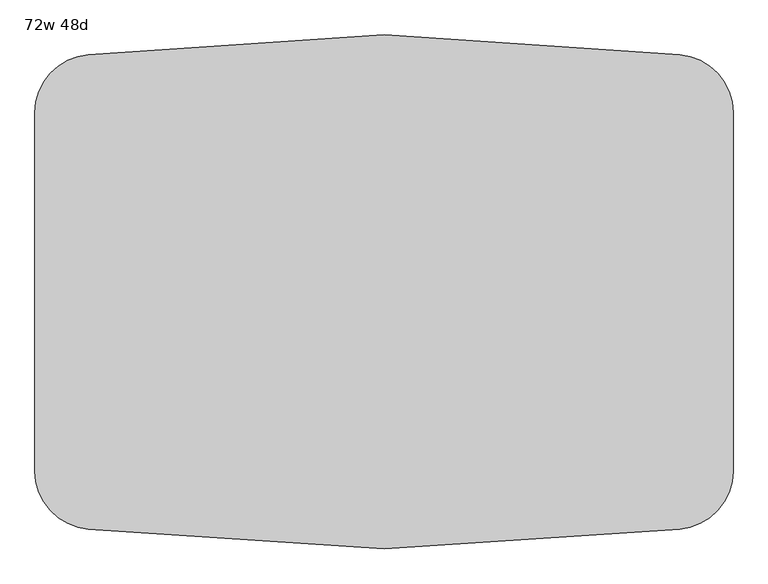
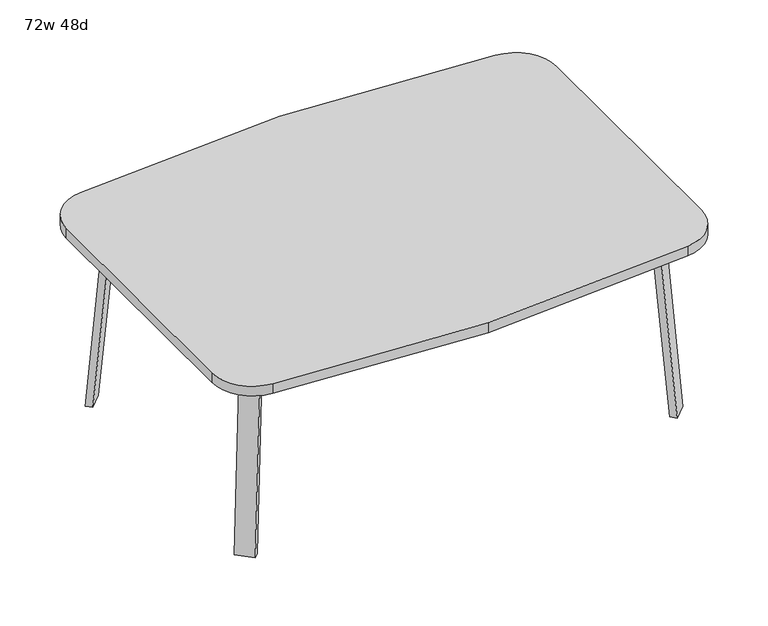
"""IFC4 building model written with IfcOpenShell, lengths in millimetres: furniture geometry, 72w 48d."""

import ifcopenshell
import ifcopenshell.guid

model = None  # the IFC model being written
_history = None  # IfcOwnerHistory: only IFC2X3 demands one
_inside = {}  # id of a spatial element -> (the spatial element, [elements in it])
_under = {}  # id of a project, library or spatial element -> (it, [spatial elements below it])
_declared = {}  # id of a project -> (the project, [libraries it declares])
_typed = {}  # id of a type object -> (the type object, [elements of that type])
_made_of = {}  # id of a material, layer set ... -> (it, [elements and type objects made of it])


def new_model(schema):
    """Start an empty IFC model of exactly this schema.

    Asked for "IFC4X3", IfcOpenShell would pick the latest addendum, in which some entities
    have other attributes; the version numbers below select the first issue.
    IFC2X3 requires an IfcOwnerHistory on every rooted entity: one is made here for all.
    """
    global model, _history
    if schema == "IFC4X3":
        model = ifcopenshell.file(schema_version=(4, 3, 0, 0))
    else:
        model = ifcopenshell.file(schema=schema)
    _inside.clear()
    _under.clear()
    _declared.clear()
    _typed.clear()
    _made_of.clear()
    _history = None
    if model.schema == "IFC2X3":
        org = make("IfcOrganization", Name="unknown")
        user = make(
            "IfcPersonAndOrganization",
            ThePerson=make("IfcPerson", FamilyName="unknown"),
            TheOrganization=org,
        )
        app = make(
            "IfcApplication",
            ApplicationDeveloper=org,
            Version="unknown",
            ApplicationFullName="unknown",
            ApplicationIdentifier="unknown",
        )
        _history = make(
            "IfcOwnerHistory",
            OwningUser=user,
            OwningApplication=app,
            ChangeAction="ADDED",
            CreationDate=0,
        )
    return model


def make(cls, **values):
    """One entity of the class cls with the attributes given. An attribute that is None is left unset."""
    return model.create_entity(
        cls, **{name: value for name, value in values.items() if value is not None}
    )


def rooted(cls, **values):
    """An entity with a GlobalId (a new one), such as an element, a storey or a relation."""
    return make(cls, GlobalId=ifcopenshell.guid.new(), OwnerHistory=_history, **values)


def si_unit(unit_type, name, prefix=None):
    """IfcSIUnit, for example si_unit("LENGTHUNIT", "METRE", prefix="MILLI")."""
    return make("IfcSIUnit", UnitType=unit_type, Prefix=prefix, Name=name)


def assignment(units):
    """IfcUnitAssignment: the units of a project."""
    return None if units is None else make("IfcUnitAssignment", Units=units)


def point(xyz):
    """IfcCartesianPoint."""
    return None if xyz is None else make("IfcCartesianPoint", Coordinates=xyz)


def direction(xyz):
    """IfcDirection."""
    return None if xyz is None else make("IfcDirection", DirectionRatios=xyz)


def frame(location, z_axis=None, x_axis=None):
    """IfcAxis2Placement3D, a coordinate frame: its origin and axes. An axis left out is left unset."""
    return make(
        "IfcAxis2Placement3D",
        Location=point(location),
        Axis=direction(z_axis),
        RefDirection=direction(x_axis),
    )


def frame_2d(location, x_axis=None):
    """IfcAxis2Placement2D, a coordinate frame in the plane: its origin and x axis."""
    return make(
        "IfcAxis2Placement2D", Location=point(location), RefDirection=direction(x_axis)
    )


def origin():
    """The frame at (0, 0, 0) with its axes left unset."""
    return frame((0.0, 0.0, 0.0))


def place(relative_to, where):
    """IfcLocalPlacement: puts the frame where relative to a parent placement (None: the world)."""
    return make(
        "IfcLocalPlacement", PlacementRelTo=relative_to, RelativePlacement=where
    )


def context(
    kind, dimensions, precision=None, world=None, true_north=None, identifier=None
):
    """IfcGeometricRepresentationContext, for example the 3D "Model" context."""
    return make(
        "IfcGeometricRepresentationContext",
        ContextIdentifier=identifier,
        ContextType=kind,
        CoordinateSpaceDimension=dimensions,
        Precision=precision,
        WorldCoordinateSystem=world,
        TrueNorth=true_north,
    )


def project(units=None, contexts=None):
    """IfcProject with its units and contexts."""
    return rooted(
        "IfcProject",
        Name="project",
        RepresentationContexts=contexts,
        UnitsInContext=assignment(units),
    )


def spatial(cls, under=None, at=None, **own):
    """A site, building, storey or space (cls), placed at a placement, below another one or the project."""
    s = rooted(cls, ObjectPlacement=at, **own)
    if under is not None:
        _under.setdefault(under.id(), (under, []))[1].append(s)
    return s


def polyline(points):
    """IfcPolyline through the points."""
    return make("IfcPolyline", Points=[point(p) for p in points])


def circle_curve(where, radius):
    """IfcCircle in the frame where."""
    return make("IfcCircle", Position=where, Radius=radius)


def trimmed(basis, trim1, trim2, sense, master):
    """IfcTrimmedCurve: the piece of a basis curve between two trims."""
    return make(
        "IfcTrimmedCurve",
        BasisCurve=basis,
        Trim1=trim1,
        Trim2=trim2,
        SenseAgreement=sense,
        MasterRepresentation=master,
    )


def segment(curve, same_sense, transition):
    """IfcCompositeCurveSegment."""
    return make(
        "IfcCompositeCurveSegment",
        Transition=transition,
        SameSense=same_sense,
        ParentCurve=curve,
    )


def composite_curve(segments, self_intersect=None):
    """IfcCompositeCurve: segments joined end to end."""
    return make("IfcCompositeCurve", Segments=segments, SelfIntersect=self_intersect)


def outline(outer, holes=None, kind="AREA"):
    """IfcArbitraryClosedProfileDef: a profile drawn as a closed curve; with holes, ...WithVoids."""
    if holes is None:
        return make("IfcArbitraryClosedProfileDef", ProfileType=kind, OuterCurve=outer)
    return make(
        "IfcArbitraryProfileDefWithVoids",
        ProfileType=kind,
        OuterCurve=outer,
        InnerCurves=holes,
    )


def extrude(swept, where, along, depth):
    """IfcExtrudedAreaSolid: the profile swept, set in the frame where, extruded along a direction by depth."""
    return make(
        "IfcExtrudedAreaSolid",
        SweptArea=swept,
        Position=where,
        ExtrudedDirection=direction(along),
        Depth=depth,
    )


def faces_of(points, faces, orient=None, outer=None):
    """IfcFace entities. A face is a list of loops; a loop is a list of indices into points, from 0.

    orient and outer hold one flag for each loop. By default every Orientation is true, the
    first loop of a face is its IfcFaceOuterBound and the others are IfcFaceBound.
    """
    made = []
    for i, loops in enumerate(faces):
        bounds = []
        for j, loop in enumerate(loops):
            is_outer = j == 0 if outer is None else outer[i][j]
            bounds.append(
                make(
                    "IfcFaceOuterBound" if is_outer else "IfcFaceBound",
                    Bound=make("IfcPolyLoop", Polygon=[points[k] for k in loop]),
                    Orientation=True if orient is None else orient[i][j],
                )
            )
        made.append(make("IfcFace", Bounds=bounds))
    return made


def faceted_brep(points, faces, orient=None, outer=None, voids=None):
    """IfcFacetedBrep: a solid bounded by flat faces; with voids (closed shells), ...WithVoids."""
    shared = [point(p) for p in points]
    hull = make("IfcClosedShell", CfsFaces=faces_of(shared, faces, orient, outer))
    if voids is None:
        return make("IfcFacetedBrep", Outer=hull)
    return make(
        "IfcFacetedBrepWithVoids",
        Outer=hull,
        Voids=[
            make(cls, CfsFaces=faces_of(shared, fs, o, b)) for cls, fs, o, b in voids
        ],
    )


def shape(context_of_items, identifier, shape_type, items):
    """IfcShapeRepresentation: the items that make up one representation, for example the "Body"."""
    return make(
        "IfcShapeRepresentation",
        ContextOfItems=context_of_items,
        RepresentationIdentifier=identifier,
        RepresentationType=shape_type,
        Items=items,
    )


def source(mapping_origin, context_of_items, identifier, shape_type, items):
    """IfcRepresentationMap: a shape defined once, which mapped items show again and again."""
    return make(
        "IfcRepresentationMap",
        MappingOrigin=mapping_origin,
        MappedRepresentation=shape(context_of_items, identifier, shape_type, items),
    )


def transform(
    local_origin,
    x_axis=None,
    y_axis=None,
    z_axis=None,
    scale=None,
    scale2=None,
    scale3=None,
    uniform=True,
):
    """IfcCartesianTransformationOperator3D, or its non-uniform kind. x_axis, y_axis, z_axis: its Axis1, 2, 3."""
    if uniform:
        return make(
            "IfcCartesianTransformationOperator3D",
            Axis1=direction(x_axis),
            Axis2=direction(y_axis),
            LocalOrigin=point(local_origin),
            Scale=scale,
            Axis3=direction(z_axis),
        )
    return make(
        "IfcCartesianTransformationOperator3DnonUniform",
        Axis1=direction(x_axis),
        Axis2=direction(y_axis),
        LocalOrigin=point(local_origin),
        Scale=scale,
        Axis3=direction(z_axis),
        Scale2=scale2,
        Scale3=scale3,
    )


def mapped(mapping_source, mapping_target):
    """IfcMappedItem: shows the shape of a source again, moved by a transform."""
    return make(
        "IfcMappedItem", MappingSource=mapping_source, MappingTarget=mapping_target
    )


def made_of(thing, what):
    """Note that an element or type object is made of a material, layer set ...; save() writes the relation."""
    if what is not None:
        _made_of.setdefault(what.id(), (what, []))[1].append(thing)
    return thing


def element(
    cls,
    number,
    at=None,
    inside=None,
    cuts=None,
    type_object=None,
    material=None,
    context=None,
    identifier="Body",
    shape_type=None,
    held_by="IfcProductDefinitionShape",
    body=None,
    shapes=None,
    **own,
):
    """One element of the class cls, such as IfcWall. Its Tag is "e" and its number.

    at: its placement. inside: the storey or other place that contains it. cuts: it is an
    opening in that element (IfcRelVoidsElement). A single representation is given by context,
    identifier, shape_type and body (its items); several are given by shapes. held_by: the class
    of the entity that holds the representations. save() writes the other relations.
    """
    e = rooted(cls, Tag="e%d" % number, ObjectPlacement=at, **own)
    if body is not None:
        shapes = [shape(context, identifier, shape_type, body)]
    if shapes is not None:
        e.Representation = make(held_by, Representations=shapes)
    if inside is not None:
        _inside.setdefault(inside.id(), (inside, []))[1].append(e)
    if cuts is not None:
        rooted(
            "IfcRelVoidsElement", RelatingBuildingElement=cuts, RelatedOpeningElement=e
        )
    if type_object is not None:
        _typed.setdefault(type_object.id(), (type_object, []))[1].append(e)
    return made_of(e, material)


def aggregate(whole, parts):
    """IfcRelAggregates: a whole, such as a stair, and the parts it consists of."""
    return rooted("IfcRelAggregates", RelatingObject=whole, RelatedObjects=parts)


def save(model, path):
    """Write the relations noted so far, then the file.

    IfcRelAggregates (storeys below a building ...), IfcRelContainedInSpatialStructure (elements
    in a storey), IfcRelDefinesByType, IfcRelAssociatesMaterial and IfcRelDeclares: one each for
    every whole, place, type object, material and project.
    """
    for whole, parts in _under.values():
        aggregate(whole, parts)
    for where, things in _inside.values():
        rooted(
            "IfcRelContainedInSpatialStructure",
            RelatedElements=things,
            RelatingStructure=where,
        )
    for kind, things in _typed.values():
        rooted("IfcRelDefinesByType", RelatedObjects=things, RelatingType=kind)
    for what, things in _made_of.values():
        rooted("IfcRelAssociatesMaterial", RelatedObjects=things, RelatingMaterial=what)
    for by, libraries in _declared.values():
        rooted("IfcRelDeclares", RelatingContext=by, RelatedDefinitions=libraries)
    model.write(path)


def furniture_72w_48d_16607460(model_context):
    return source(origin(), model_context, "Body", "SolidModel", [
        faceted_brep([(606.2753042, -426.4920519, 695.325), (645.7884312, -386.978925, 695.325), (700.9047531, -442.0952469, 695.325), (694.2631053, -448.7368947, 695.325), (633.2160726, -453.4328203, 695.325), (753.5368947, -389.4631053, 695.325), (747.6020849, -395.3979151, 695.325), (692.485763, -340.2815931, 695.325), (731.9988899, -300.7684662, 695.325), (758.9396583, -327.7092346, 695.325), (606.2753042, -426.4920519, 698.5), (633.2160726, -453.4328203, 698.5), (694.2631053, -448.7368947, 698.5), (753.5368947, -389.4631053, 698.5), (758.9396583, -327.7092346, 698.5), (731.9988899, -300.7684662, 698.5), (700.9047531, -442.0952469, 673.1), (747.6020849, -395.3979151, 673.1), (656.0034725, -397.1939663, 673.1), (702.7008043, -350.4966345, 673.1)], [[[0, 1, 2, 3, 4]], [[5, 6, 7, 8, 9]], [[10, 11, 12, 13, 14, 15]], [[4, 11, 10, 0]], [[3, 12, 11, 4]], [[12, 3, 2, 16, 17, 6, 5, 13]], [[9, 14, 13, 5]], [[8, 15, 14, 9]], [[15, 8, 7, 1, 0, 10]], [[2, 1, 18, 16]], [[7, 6, 17, 19]], [[18, 19, 17, 16]], [[1, 7, 19, 18]]]),
        extrude(outline(composite_curve([segment(polyline([(-698.9257667, 0.0), (-704.4601563, 63.2583633), (-679.156811, 65.4721192), (-677.172355, 42.7896831)]), True, "CONTINUOUS"), segment(trimmed(circle_curve(frame_2d((-658.194846, 44.45)), 19.05), [point((-677.172355, 42.7896831))], [point((-658.194846, 25.4))], True, "CARTESIAN"), True, "CONTINUOUS"), segment(polyline([(-658.194846, 25.4), (0.0201778, 25.4), (2.2423899, 0.0), (-698.9257667, 0.0)]), True, "CONTINUOUS")], self_intersect=False)), frame((787.1792647, -531.7706733, 2.2338569), z_axis=(0.7071067811865512, 0.707106781186544, 0.0), x_axis=(0.06162841671622733, -0.06162841671621349, -0.9961946980917454)), (0.0, 0.0, 1.0), 69.85),
        faceted_brep([(606.2753042, 426.4920519, 695.325), (633.2160726, 453.4328203, 695.325), (694.2631053, 448.7368947, 695.325), (700.9047531, 442.0952469, 695.325), (645.7884312, 386.978925, 695.325), (753.5368947, 389.4631053, 695.325), (758.9396583, 327.7092346, 695.325), (731.9988899, 300.7684662, 695.325), (692.485763, 340.2815931, 695.325), (747.6020849, 395.3979151, 695.325), (606.2753042, 426.4920519, 698.5), (731.9988899, 300.7684662, 698.5), (758.9396583, 327.7092346, 698.5), (753.5368947, 389.4631053, 698.5), (694.2631053, 448.7368947, 698.5), (633.2160726, 453.4328203, 698.5), (747.6020849, 395.3979151, 673.1), (700.9047531, 442.0952469, 673.1), (656.0034725, 397.1939663, 673.1), (702.7008043, 350.4966345, 673.1)], [[[0, 1, 2, 3, 4]], [[5, 6, 7, 8, 9]], [[10, 11, 12, 13, 14, 15]], [[1, 0, 10, 15]], [[2, 1, 15, 14]], [[14, 13, 5, 9, 16, 17, 3, 2]], [[6, 5, 13, 12]], [[7, 6, 12, 11]], [[11, 10, 0, 4, 8, 7]], [[3, 17, 18, 4]], [[8, 19, 16, 9]], [[18, 17, 16, 19]], [[4, 18, 19, 8]]]),
        extrude(outline(composite_curve([segment(polyline([(698.9257667, 0.0), (704.4601563, -63.2583633), (679.156811, -65.4721192), (677.172355, -42.7896831)]), True, "CONTINUOUS"), segment(trimmed(circle_curve(frame_2d((658.194846, -44.45)), 19.05), [point((677.172355, -42.7896831))], [point((658.194846, -25.4))], True, "CARTESIAN"), True, "CONTINUOUS"), segment(polyline([(658.194846, -25.4), (-0.0201778, -25.4), (-2.2423899, 0.0), (698.9257667, 0.0)]), True, "CONTINUOUS")], self_intersect=False)), frame((836.5706733, 482.3792647, 2.2338569), z_axis=(-0.7071067811865512, 0.707106781186544, 0.0), x_axis=(-0.06162841671622733, -0.06162841671621349, 0.9961946980917454)), (0.0, 0.0, 1.0), 69.85),
        faceted_brep([(-606.2753042, 426.4920519, 695.325), (-645.7884312, 386.978925, 695.325), (-700.9047531, 442.0952469, 695.325), (-694.2631053, 448.7368947, 695.325), (-633.2160726, 453.4328203, 695.325), (-753.5368947, 389.4631053, 695.325), (-747.6020849, 395.3979151, 695.325), (-692.485763, 340.2815931, 695.325), (-731.9988899, 300.7684662, 695.325), (-758.9396583, 327.7092346, 695.325), (-606.2753042, 426.4920519, 698.5), (-633.2160726, 453.4328203, 698.5), (-694.2631053, 448.7368947, 698.5), (-753.5368947, 389.4631053, 698.5), (-758.9396583, 327.7092346, 698.5), (-731.9988899, 300.7684662, 698.5), (-700.9047531, 442.0952469, 673.1), (-747.6020849, 395.3979151, 673.1), (-656.0034725, 397.1939663, 673.1), (-702.7008043, 350.4966345, 673.1)], [[[0, 1, 2, 3, 4]], [[5, 6, 7, 8, 9]], [[10, 11, 12, 13, 14, 15]], [[4, 11, 10, 0]], [[3, 12, 11, 4]], [[12, 3, 2, 16, 17, 6, 5, 13]], [[9, 14, 13, 5]], [[8, 15, 14, 9]], [[15, 8, 7, 1, 0, 10]], [[2, 1, 18, 16]], [[7, 6, 17, 19]], [[18, 19, 17, 16]], [[1, 7, 19, 18]]]),
        extrude(outline(composite_curve([segment(polyline([(698.9257667, 0.0), (-2.2423899, 0.0), (-0.0201778, 25.4), (658.194846, 25.4)]), True, "CONTINUOUS"), segment(trimmed(circle_curve(frame_2d((658.194846, 44.45)), 19.05), [point((658.194846, 25.4))], [point((677.172355, 42.7896831))], True, "CARTESIAN"), True, "CONTINUOUS"), segment(polyline([(677.172355, 42.7896831), (679.156811, 65.4721192), (704.4601563, 63.2583633), (698.9257667, 0.0)]), True, "CONTINUOUS")], self_intersect=False)), frame((-836.5706733, 482.3792647, 2.2338569), z_axis=(0.7071067811865512, 0.707106781186544, 0.0), x_axis=(0.06162841671622733, -0.06162841671621349, 0.9961946980917454)), (0.0, 0.0, 1.0), 69.85),
        faceted_brep([(-606.2753042, -426.4920519, 695.325), (-633.2160726, -453.4328203, 695.325), (-694.2631053, -448.7368947, 695.325), (-700.9047531, -442.0952469, 695.325), (-645.7884312, -386.978925, 695.325), (-753.5368947, -389.4631053, 695.325), (-758.9396583, -327.7092346, 695.325), (-731.9988899, -300.7684662, 695.325), (-692.485763, -340.2815931, 695.325), (-747.6020849, -395.3979151, 695.325), (-606.2753042, -426.4920519, 698.5), (-731.9988899, -300.7684662, 698.5), (-758.9396583, -327.7092346, 698.5), (-753.5368947, -389.4631053, 698.5), (-694.2631053, -448.7368947, 698.5), (-633.2160726, -453.4328203, 698.5), (-747.6020849, -395.3979151, 673.1), (-700.9047531, -442.0952469, 673.1), (-656.0034725, -397.1939663, 673.1), (-702.7008043, -350.4966345, 673.1)], [[[0, 1, 2, 3, 4]], [[5, 6, 7, 8, 9]], [[10, 11, 12, 13, 14, 15]], [[1, 0, 10, 15]], [[2, 1, 15, 14]], [[14, 13, 5, 9, 16, 17, 3, 2]], [[6, 5, 13, 12]], [[7, 6, 12, 11]], [[11, 10, 0, 4, 8, 7]], [[3, 17, 18, 4]], [[8, 19, 16, 9]], [[18, 17, 16, 19]], [[4, 18, 19, 8]]]),
        extrude(outline(composite_curve([segment(polyline([(-698.9257667, 0.0), (2.2423899, 0.0), (0.0201778, -25.4), (-658.194846, -25.4)]), True, "CONTINUOUS"), segment(trimmed(circle_curve(frame_2d((-658.194846, -44.45)), 19.05), [point((-658.194846, -25.4))], [point((-677.172355, -42.7896831))], True, "CARTESIAN"), True, "CONTINUOUS"), segment(polyline([(-677.172355, -42.7896831), (-679.156811, -65.4721192), (-704.4601563, -63.2583633), (-698.9257667, 0.0)]), True, "CONTINUOUS")], self_intersect=False)), frame((-787.1792647, -531.7706733, 2.2338569), z_axis=(-0.7071067811865512, 0.707106781186544, 0.0), x_axis=(-0.06162841671622733, -0.06162841671621349, -0.9961946980917454)), (0.0, 0.0, 1.0), 69.85),
        extrude(outline(composite_curve([segment(trimmed(circle_curve(frame_2d((-762.0, 469.3717488)), 152.4), [point((-914.4, 469.3717488))], [point((-774.6561311, 621.2453224))], False, "CARTESIAN"), True, "CONTINUOUS"), segment(polyline([(-774.6561311, 621.2453224), (0.0, 673.1), (774.6561311, 621.2453224)]), True, "CONTINUOUS"), segment(trimmed(circle_curve(frame_2d((762.0, 469.3717488)), 152.4), [point((774.6561311, 621.2453224))], [point((914.4, 469.3717488))], False, "CARTESIAN"), True, "CONTINUOUS"), segment(polyline([(914.4, 469.3717488), (914.4, -469.3717488)]), True, "CONTINUOUS"), segment(trimmed(circle_curve(frame_2d((762.0, -469.3717488)), 152.4), [point((914.4, -469.3717488))], [point((774.6561311, -621.2453224))], False, "CARTESIAN"), True, "CONTINUOUS"), segment(polyline([(774.6561311, -621.2453224), (0.0, -673.1), (-774.6561311, -621.2453224)]), True, "CONTINUOUS"), segment(trimmed(circle_curve(frame_2d((-762.0, -469.3717488)), 152.4), [point((-774.6561311, -621.2453224))], [point((-914.4, -469.3717488))], False, "CARTESIAN"), True, "CONTINUOUS"), segment(polyline([(-914.4, -469.3717488), (-914.4, 469.3717488)]), True, "CONTINUOUS")], self_intersect=False)), frame((0.0, 0.0, 698.5), z_axis=(0.0, 0.0, 1.0), x_axis=(1.0, 0.0, 0.0)), (0.0, 0.0, 1.0), 38.1),
    ])


if __name__ == "__main__":
    model = new_model("IFC4")
    model_context = context("Model", 3, world=origin())
    ifc_project = project(units=[si_unit("LENGTHUNIT", "METRE", prefix="MILLI")], contexts=[model_context])
    site = spatial("IfcSite", under=ifc_project)
    building = spatial("IfcBuilding", under=site)
    placement = place(None, origin())
    furniture_72w_48d_shape = furniture_72w_48d_16607460(model_context)
    element("IfcFurniture", 1, ObjectType="72w 48d", at=placement, inside=building, context=model_context, shape_type="MappedRepresentation", body=[
        mapped(furniture_72w_48d_shape, transform((0.0, 0.0, 0.0), x_axis=(1.0, 0.0, 0.0), y_axis=(0.0, 1.0, 0.0), z_axis=(0.0, 0.0, 1.0))),
    ])
    save(model, "model.ifc")
